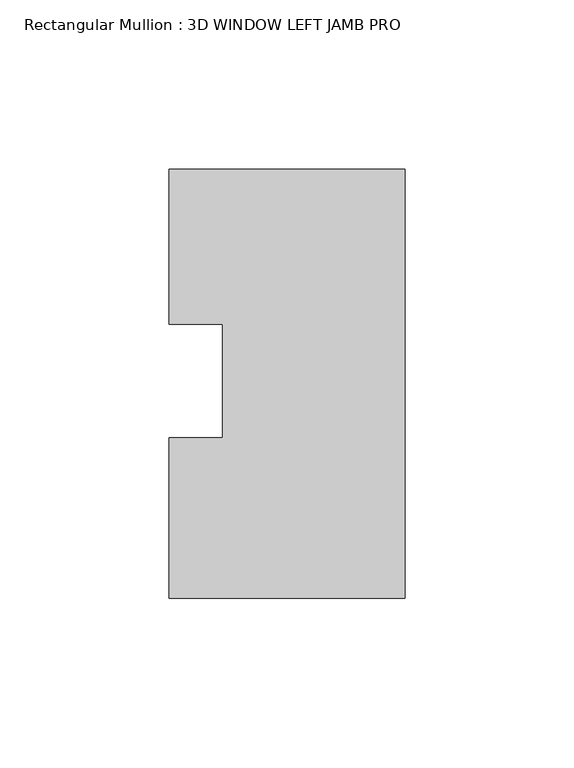
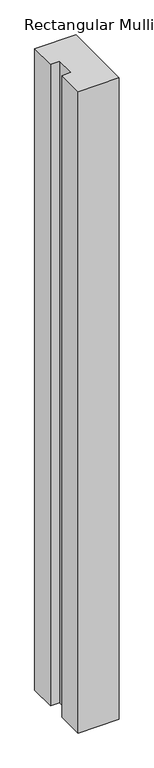
"""IFC4 building model written with IfcOpenShell, lengths in millimetres: member geometry, Rectangular Mullion : 3D WINDOW LEFT JAMB PRO."""

from ifc_helpers import new_model, si_unit, frame, origin, place, context, project, spatial, polyline, outline, extrude, source, transform, mapped, element, save


def rectangular_mullion_3d_window_left_jamb_pro_3e046f12(model_context):
    return source(origin(), model_context, "Body", "SweptSolid", [
        extrude(outline(polyline([(-34.9711582, -63.5), (-34.9711582, -16.0459314), (-19.0961582, -16.0459314), (-19.0961582, 17.5167003), (-34.9711582, 17.5167003), (-34.9711582, 63.5), (34.9711582, 63.5), (34.9711582, -63.5), (-34.9711582, -63.5)])), frame((0.0, 0.0, -1149.35), z_axis=(0.0, 0.0, 1.0), x_axis=(1.0, 0.0, 0.0)), (0.0, 0.0, 1.0), 1149.35),
    ])


if __name__ == "__main__":
    model = new_model("IFC4")
    model_context = context("Model", 3, world=origin())
    ifc_project = project(units=[si_unit("LENGTHUNIT", "METRE", prefix="MILLI")], contexts=[model_context])
    site = spatial("IfcSite", under=ifc_project)
    building = spatial("IfcBuilding", under=site)
    placement = place(None, origin())
    rectangular_mullion_3d_window_left_jamb_pro_shape = rectangular_mullion_3d_window_left_jamb_pro_3e046f12(model_context)
    element("IfcMember", 1, ObjectType="Rectangular Mullion : 3D WINDOW LEFT JAMB PRO", at=placement, inside=building, context=model_context, shape_type="MappedRepresentation", body=[
        mapped(rectangular_mullion_3d_window_left_jamb_pro_shape, transform((0.0, 0.0, 0.0), x_axis=(1.0, 0.0, 0.0), y_axis=(0.0, 1.0, 0.0), z_axis=(0.0, 0.0, 1.0))),
    ])
    save(model, "model.ifc")
